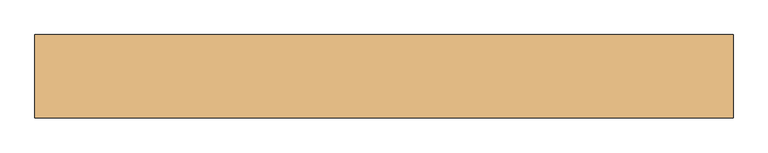
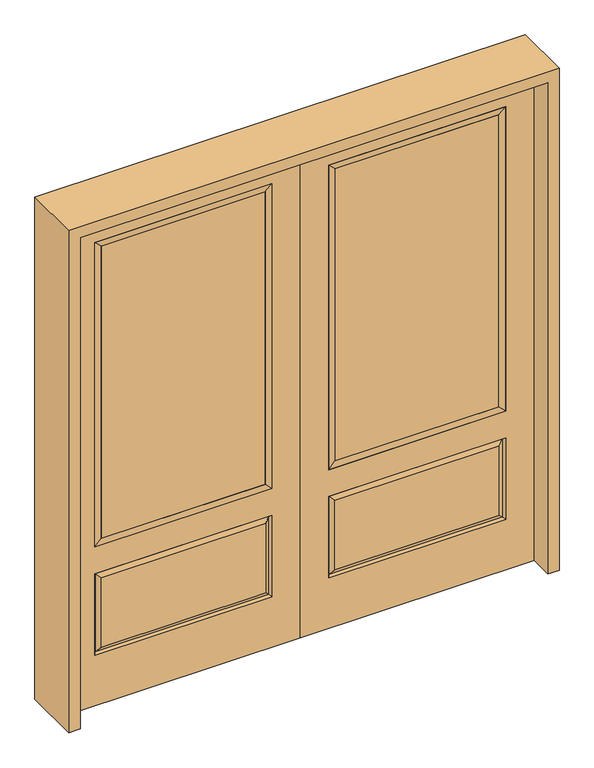
"""IFC4 building model written with IfcOpenShell, lengths in millimetres: door geometry."""

import ifcopenshell
import ifcopenshell.guid

model = None  # the IFC model being written
_history = None  # IfcOwnerHistory: only IFC2X3 demands one
_inside = {}  # id of a spatial element -> (the spatial element, [elements in it])
_under = {}  # id of a project, library or spatial element -> (it, [spatial elements below it])
_declared = {}  # id of a project -> (the project, [libraries it declares])
_typed = {}  # id of a type object -> (the type object, [elements of that type])
_made_of = {}  # id of a material, layer set ... -> (it, [elements and type objects made of it])


def new_model(schema):
    """Start an empty IFC model of exactly this schema.

    Asked for "IFC4X3", IfcOpenShell would pick the latest addendum, in which some entities
    have other attributes; the version numbers below select the first issue.
    IFC2X3 requires an IfcOwnerHistory on every rooted entity: one is made here for all.
    """
    global model, _history
    if schema == "IFC4X3":
        model = ifcopenshell.file(schema_version=(4, 3, 0, 0))
    else:
        model = ifcopenshell.file(schema=schema)
    _inside.clear()
    _under.clear()
    _declared.clear()
    _typed.clear()
    _made_of.clear()
    _history = None
    if model.schema == "IFC2X3":
        org = make("IfcOrganization", Name="unknown")
        user = make(
            "IfcPersonAndOrganization",
            ThePerson=make("IfcPerson", FamilyName="unknown"),
            TheOrganization=org,
        )
        app = make(
            "IfcApplication",
            ApplicationDeveloper=org,
            Version="unknown",
            ApplicationFullName="unknown",
            ApplicationIdentifier="unknown",
        )
        _history = make(
            "IfcOwnerHistory",
            OwningUser=user,
            OwningApplication=app,
            ChangeAction="ADDED",
            CreationDate=0,
        )
    return model


def make(cls, **values):
    """One entity of the class cls with the attributes given. An attribute that is None is left unset."""
    return model.create_entity(
        cls, **{name: value for name, value in values.items() if value is not None}
    )


def rooted(cls, **values):
    """An entity with a GlobalId (a new one), such as an element, a storey or a relation."""
    return make(cls, GlobalId=ifcopenshell.guid.new(), OwnerHistory=_history, **values)


def si_unit(unit_type, name, prefix=None):
    """IfcSIUnit, for example si_unit("LENGTHUNIT", "METRE", prefix="MILLI")."""
    return make("IfcSIUnit", UnitType=unit_type, Prefix=prefix, Name=name)


def assignment(units):
    """IfcUnitAssignment: the units of a project."""
    return None if units is None else make("IfcUnitAssignment", Units=units)


def point(xyz):
    """IfcCartesianPoint."""
    return None if xyz is None else make("IfcCartesianPoint", Coordinates=xyz)


def direction(xyz):
    """IfcDirection."""
    return None if xyz is None else make("IfcDirection", DirectionRatios=xyz)


def frame(location, z_axis=None, x_axis=None):
    """IfcAxis2Placement3D, a coordinate frame: its origin and axes. An axis left out is left unset."""
    return make(
        "IfcAxis2Placement3D",
        Location=point(location),
        Axis=direction(z_axis),
        RefDirection=direction(x_axis),
    )


def origin():
    """The frame at (0, 0, 0) with its axes left unset."""
    return frame((0.0, 0.0, 0.0))


def place(relative_to, where):
    """IfcLocalPlacement: puts the frame where relative to a parent placement (None: the world)."""
    return make(
        "IfcLocalPlacement", PlacementRelTo=relative_to, RelativePlacement=where
    )


def context(
    kind, dimensions, precision=None, world=None, true_north=None, identifier=None
):
    """IfcGeometricRepresentationContext, for example the 3D "Model" context."""
    return make(
        "IfcGeometricRepresentationContext",
        ContextIdentifier=identifier,
        ContextType=kind,
        CoordinateSpaceDimension=dimensions,
        Precision=precision,
        WorldCoordinateSystem=world,
        TrueNorth=true_north,
    )


def project(units=None, contexts=None):
    """IfcProject with its units and contexts."""
    return rooted(
        "IfcProject",
        Name="project",
        RepresentationContexts=contexts,
        UnitsInContext=assignment(units),
    )


def spatial(cls, under=None, at=None, **own):
    """A site, building, storey or space (cls), placed at a placement, below another one or the project."""
    s = rooted(cls, ObjectPlacement=at, **own)
    if under is not None:
        _under.setdefault(under.id(), (under, []))[1].append(s)
    return s


def polyline(points):
    """IfcPolyline through the points."""
    return make("IfcPolyline", Points=[point(p) for p in points])


def outline(outer, holes=None, kind="AREA"):
    """IfcArbitraryClosedProfileDef: a profile drawn as a closed curve; with holes, ...WithVoids."""
    if holes is None:
        return make("IfcArbitraryClosedProfileDef", ProfileType=kind, OuterCurve=outer)
    return make(
        "IfcArbitraryProfileDefWithVoids",
        ProfileType=kind,
        OuterCurve=outer,
        InnerCurves=holes,
    )


def extrude(swept, where, along, depth):
    """IfcExtrudedAreaSolid: the profile swept, set in the frame where, extruded along a direction by depth."""
    return make(
        "IfcExtrudedAreaSolid",
        SweptArea=swept,
        Position=where,
        ExtrudedDirection=direction(along),
        Depth=depth,
    )


def faces_of(points, faces, orient=None, outer=None):
    """IfcFace entities. A face is a list of loops; a loop is a list of indices into points, from 0.

    orient and outer hold one flag for each loop. By default every Orientation is true, the
    first loop of a face is its IfcFaceOuterBound and the others are IfcFaceBound.
    """
    made = []
    for i, loops in enumerate(faces):
        bounds = []
        for j, loop in enumerate(loops):
            is_outer = j == 0 if outer is None else outer[i][j]
            bounds.append(
                make(
                    "IfcFaceOuterBound" if is_outer else "IfcFaceBound",
                    Bound=make("IfcPolyLoop", Polygon=[points[k] for k in loop]),
                    Orientation=True if orient is None else orient[i][j],
                )
            )
        made.append(make("IfcFace", Bounds=bounds))
    return made


def faceted_brep(points, faces, orient=None, outer=None, voids=None):
    """IfcFacetedBrep: a solid bounded by flat faces; with voids (closed shells), ...WithVoids."""
    shared = [point(p) for p in points]
    hull = make("IfcClosedShell", CfsFaces=faces_of(shared, faces, orient, outer))
    if voids is None:
        return make("IfcFacetedBrep", Outer=hull)
    return make(
        "IfcFacetedBrepWithVoids",
        Outer=hull,
        Voids=[
            make(cls, CfsFaces=faces_of(shared, fs, o, b)) for cls, fs, o, b in voids
        ],
    )


def shape(context_of_items, identifier, shape_type, items):
    """IfcShapeRepresentation: the items that make up one representation, for example the "Body"."""
    return make(
        "IfcShapeRepresentation",
        ContextOfItems=context_of_items,
        RepresentationIdentifier=identifier,
        RepresentationType=shape_type,
        Items=items,
    )


def source(mapping_origin, context_of_items, identifier, shape_type, items):
    """IfcRepresentationMap: a shape defined once, which mapped items show again and again."""
    return make(
        "IfcRepresentationMap",
        MappingOrigin=mapping_origin,
        MappedRepresentation=shape(context_of_items, identifier, shape_type, items),
    )


def transform(
    local_origin,
    x_axis=None,
    y_axis=None,
    z_axis=None,
    scale=None,
    scale2=None,
    scale3=None,
    uniform=True,
):
    """IfcCartesianTransformationOperator3D, or its non-uniform kind. x_axis, y_axis, z_axis: its Axis1, 2, 3."""
    if uniform:
        return make(
            "IfcCartesianTransformationOperator3D",
            Axis1=direction(x_axis),
            Axis2=direction(y_axis),
            LocalOrigin=point(local_origin),
            Scale=scale,
            Axis3=direction(z_axis),
        )
    return make(
        "IfcCartesianTransformationOperator3DnonUniform",
        Axis1=direction(x_axis),
        Axis2=direction(y_axis),
        LocalOrigin=point(local_origin),
        Scale=scale,
        Axis3=direction(z_axis),
        Scale2=scale2,
        Scale3=scale3,
    )


def mapped(mapping_source, mapping_target):
    """IfcMappedItem: shows the shape of a source again, moved by a transform."""
    return make(
        "IfcMappedItem", MappingSource=mapping_source, MappingTarget=mapping_target
    )


def made_of(thing, what):
    """Note that an element or type object is made of a material, layer set ...; save() writes the relation."""
    if what is not None:
        _made_of.setdefault(what.id(), (what, []))[1].append(thing)
    return thing


def element(
    cls,
    number,
    at=None,
    inside=None,
    cuts=None,
    type_object=None,
    material=None,
    context=None,
    identifier="Body",
    shape_type=None,
    held_by="IfcProductDefinitionShape",
    body=None,
    shapes=None,
    **own,
):
    """One element of the class cls, such as IfcWall. Its Tag is "e" and its number.

    at: its placement. inside: the storey or other place that contains it. cuts: it is an
    opening in that element (IfcRelVoidsElement). A single representation is given by context,
    identifier, shape_type and body (its items); several are given by shapes. held_by: the class
    of the entity that holds the representations. save() writes the other relations.
    """
    e = rooted(cls, Tag="e%d" % number, ObjectPlacement=at, **own)
    if body is not None:
        shapes = [shape(context, identifier, shape_type, body)]
    if shapes is not None:
        e.Representation = make(held_by, Representations=shapes)
    if inside is not None:
        _inside.setdefault(inside.id(), (inside, []))[1].append(e)
    if cuts is not None:
        rooted(
            "IfcRelVoidsElement", RelatingBuildingElement=cuts, RelatedOpeningElement=e
        )
    if type_object is not None:
        _typed.setdefault(type_object.id(), (type_object, []))[1].append(e)
    return made_of(e, material)


def aggregate(whole, parts):
    """IfcRelAggregates: a whole, such as a stair, and the parts it consists of."""
    return rooted("IfcRelAggregates", RelatingObject=whole, RelatedObjects=parts)


def save(model, path):
    """Write the relations noted so far, then the file.

    IfcRelAggregates (storeys below a building ...), IfcRelContainedInSpatialStructure (elements
    in a storey), IfcRelDefinesByType, IfcRelAssociatesMaterial and IfcRelDeclares: one each for
    every whole, place, type object, material and project.
    """
    for whole, parts in _under.values():
        aggregate(whole, parts)
    for where, things in _inside.values():
        rooted(
            "IfcRelContainedInSpatialStructure",
            RelatedElements=things,
            RelatingStructure=where,
        )
    for kind, things in _typed.values():
        rooted("IfcRelDefinesByType", RelatedObjects=things, RelatingType=kind)
    for what, things in _made_of.values():
        rooted("IfcRelAssociatesMaterial", RelatedObjects=things, RelatingMaterial=what)
    for by, libraries in _declared.values():
        rooted("IfcRelDeclares", RelatingContext=by, RelatedDefinitions=libraries)
    model.write(path)


def door_ce8eb28d(model_context):
    return source(origin(), model_context, "Body", "SolidModel", [
        faceted_brep([(796.1661499, -12.7912373, 216.6588501), (778.66875, -22.225, 234.15625), (135.73125, -22.225, 234.15625), (118.2338501, -12.7912373, 216.6588501), (111.125, -22.225, 209.55), (803.275, -22.225, 209.55), (803.275, -22.225, 546.1), (796.1661499, -12.7912373, 538.9911499), (0.0, -22.225, 2032.0), (0.0, -22.225, 0.0), (914.4, -22.225, 0.0), (914.4, -22.225, 2032.0), (111.125, -22.225, 546.1), (111.125, -22.225, 1917.7), (803.275, -22.225, 1917.7), (803.275, -22.225, 657.098), (111.125, -22.225, 657.098), (778.66875, -22.225, 521.49375), (135.73125, -22.225, 521.49375), (118.2338501, -12.7912373, 538.9911499), (914.4, 22.225, 0.0), (914.4, 22.225, 2032.0), (0.0, 22.225, 0.0), (0.0, 22.225, 2032.0), (111.125, 22.225, 657.098), (111.125, 22.225, 1917.7), (803.275, 22.225, 657.098), (803.275, 22.225, 1917.7), (135.73125, 22.225, 234.15625), (135.73125, 22.225, 521.49375), (778.66875, 22.225, 521.49375), (778.66875, 22.225, 234.15625), (803.275, 22.225, 209.55), (803.275, 22.225, 546.1), (111.125, 22.225, 546.1), (111.125, 22.225, 209.55), (118.2338501, 12.7912373, 216.6588501), (796.1661499, 12.7912373, 216.6588501), (118.2338501, 12.7912373, 538.9911499), (796.1661499, 12.7912373, 538.9911499)], [[[0, 1, 2, 3]], [[3, 4, 5, 0]], [[5, 6, 7, 0]], [[8, 9, 10, 11], [4, 12, 6, 5], [13, 14, 15, 16]], [[1, 17, 18, 2]], [[3, 19, 12, 4]], [[2, 18, 19, 3]], [[0, 7, 17, 1]], [[6, 12, 19, 7]], [[7, 19, 18, 17]], [[10, 20, 21, 11]], [[9, 22, 20, 10]], [[8, 23, 22, 9]], [[16, 24, 25, 13]], [[15, 26, 24, 16]], [[14, 27, 26, 15]], [[28, 29, 30, 31]], [[23, 21, 20, 22], [25, 24, 26, 27], [32, 33, 34, 35]], [[32, 35, 36, 37]], [[35, 34, 38, 36]], [[39, 38, 34, 33]], [[37, 39, 33, 32]], [[36, 28, 31, 37]], [[31, 30, 39, 37]], [[30, 29, 38, 39]], [[36, 38, 29, 28]], [[11, 21, 23, 8]], [[13, 25, 27, 14]]]),
        faceted_brep([(803.275, -22.225, 1917.7), (803.275, -22.225, 657.098), (803.275, 22.225, 657.098), (803.275, 22.225, 1917.7), (111.125, -22.225, 657.098), (111.125, 22.225, 657.098), (136.525, 5.08, 682.498), (777.875, 5.08, 682.498), (111.125, -22.225, 1917.7), (111.125, 22.225, 1917.7), (777.875, -20.32, 682.498), (136.525, -20.32, 682.498), (777.875, -20.32, 1892.3), (136.525, -20.32, 1892.3), (777.875, 5.08, 1892.3), (136.525, 5.08, 1892.3)], [[[0, 1, 2, 3]], [[1, 4, 5, 2]], [[2, 5, 6, 7]], [[4, 8, 9, 5]], [[10, 11, 4, 1]], [[12, 10, 1, 0]], [[11, 13, 8, 4]], [[7, 6, 11, 10]], [[14, 7, 10, 12]], [[6, 15, 13, 11]], [[3, 2, 7, 14]], [[5, 9, 15, 6]], [[8, 0, 3, 9]], [[13, 12, 0, 8]], [[15, 14, 12, 13]], [[9, 3, 14, 15]]]),
        extrude(outline(polyline([(136.525, -20.32), (136.525, 5.08), (777.875, 5.08), (777.875, -20.32), (136.525, -20.32)])), frame((0.0, 0.0, 682.498), z_axis=(0.0, 0.0, 1.0), x_axis=(1.0, 0.0, 0.0)), (0.0, 0.0, 1.0), 1209.802),
        faceted_brep([(-796.1661499, -12.7912373, 216.6588501), (-118.2338501, -12.7912373, 216.6588501), (-135.73125, -22.225, 234.15625), (-778.66875, -22.225, 234.15625), (-803.275, -22.225, 209.55), (-111.125, -22.225, 209.55), (-796.1661499, -12.7912373, 538.9911499), (-803.275, -22.225, 546.1), (-135.73125, -22.225, 521.49375), (-778.66875, -22.225, 521.49375), (0.0, -22.225, 2032.0), (-914.4, -22.225, 2032.0), (-914.4, -22.225, 0.0), (0.0, -22.225, 0.0), (-111.125, -22.225, 546.1), (-111.125, -22.225, 1917.7), (-111.125, -22.225, 657.098), (-803.275, -22.225, 657.098), (-803.275, -22.225, 1917.7), (-118.2338501, -12.7912373, 538.9911499), (-914.4, 22.225, 2032.0), (-914.4, 22.225, 0.0), (0.0, 22.225, 0.0), (0.0, 22.225, 2032.0), (-111.125, 22.225, 1917.7), (-111.125, 22.225, 657.098), (-803.275, 22.225, 657.098), (-803.275, 22.225, 1917.7), (-803.275, 22.225, 209.55), (-111.125, 22.225, 209.55), (-111.125, 22.225, 546.1), (-803.275, 22.225, 546.1), (-135.73125, 22.225, 234.15625), (-778.66875, 22.225, 234.15625), (-778.66875, 22.225, 521.49375), (-135.73125, 22.225, 521.49375), (-796.1661499, 12.7912373, 216.6588501), (-118.2338501, 12.7912373, 216.6588501), (-118.2338501, 12.7912373, 538.9911499), (-796.1661499, 12.7912373, 538.9911499)], [[[0, 1, 2, 3]], [[1, 0, 4, 5]], [[4, 0, 6, 7]], [[3, 2, 8, 9]], [[10, 11, 12, 13], [5, 4, 7, 14], [15, 16, 17, 18]], [[1, 5, 14, 19]], [[2, 1, 19, 8]], [[0, 3, 9, 6]], [[7, 6, 19, 14]], [[6, 9, 8, 19]], [[12, 11, 20, 21]], [[13, 12, 21, 22]], [[10, 13, 22, 23]], [[16, 15, 24, 25]], [[17, 16, 25, 26]], [[18, 17, 26, 27]], [[23, 22, 21, 20], [28, 29, 30, 31], [24, 27, 26, 25]], [[32, 33, 34, 35]], [[28, 36, 37, 29]], [[29, 37, 38, 30]], [[39, 31, 30, 38]], [[36, 28, 31, 39]], [[37, 36, 33, 32]], [[33, 36, 39, 34]], [[34, 39, 38, 35]], [[37, 32, 35, 38]], [[11, 10, 23, 20]], [[15, 18, 27, 24]]]),
        faceted_brep([(-803.275, -22.225, 1917.7), (-803.275, 22.225, 1917.7), (-803.275, 22.225, 657.098), (-803.275, -22.225, 657.098), (-111.125, 22.225, 657.098), (-111.125, -22.225, 657.098), (-777.875, 5.08, 682.498), (-136.525, 5.08, 682.498), (-111.125, 22.225, 1917.7), (-111.125, -22.225, 1917.7), (-777.875, -20.32, 682.498), (-136.525, -20.32, 682.498), (-777.875, -20.32, 1892.3), (-136.525, -20.32, 1892.3), (-777.875, 5.08, 1892.3), (-136.525, 5.08, 1892.3)], [[[0, 1, 2, 3]], [[3, 2, 4, 5]], [[2, 6, 7, 4]], [[5, 4, 8, 9]], [[10, 3, 5, 11]], [[12, 0, 3, 10]], [[11, 5, 9, 13]], [[6, 10, 11, 7]], [[14, 12, 10, 6]], [[7, 11, 13, 15]], [[1, 14, 6, 2]], [[4, 7, 15, 8]], [[9, 8, 1, 0]], [[13, 9, 0, 12]], [[15, 13, 12, 14]], [[8, 15, 14, 1]]]),
        extrude(outline(polyline([(-136.525, -20.32), (-777.875, -20.32), (-777.875, 5.08), (-136.525, 5.08), (-136.525, -20.32)])), frame((0.0, 0.0, 682.498), z_axis=(0.0, 0.0, 1.0), x_axis=(1.0, 0.0, 0.0)), (0.0, 0.0, 1.0), 1209.802),
        extrude(outline(polyline([(2076.45, -958.85), (0.0, -958.85), (0.0, -914.4), (2032.0, -914.4), (2032.0, 914.4), (0.0, 914.4), (0.0, 958.85), (2076.45, 958.85), (2076.45, -958.85)])), frame((0.0, -114.3, 0.0), z_axis=(0.0, 1.0, 0.0), x_axis=(0.0, 0.0, 1.0)), (0.0, 0.0, 1.0), 228.6),
    ])


if __name__ == "__main__":
    model = new_model("IFC4")
    model_context = context("Model", 3, world=origin())
    ifc_project = project(units=[si_unit("LENGTHUNIT", "METRE", prefix="MILLI")], contexts=[model_context])
    site = spatial("IfcSite", under=ifc_project)
    building = spatial("IfcBuilding", under=site)
    placement = place(None, origin())
    door_shape = door_ce8eb28d(model_context)
    element("IfcDoor", 1, at=placement, inside=building, context=model_context, shape_type="MappedRepresentation", body=[
        mapped(door_shape, transform((0.0, 0.0, 0.0), x_axis=(1.0, 0.0, 0.0), y_axis=(0.0, 1.0, 0.0), z_axis=(0.0, 0.0, 1.0))),
    ])
    save(model, "model.ifc")
